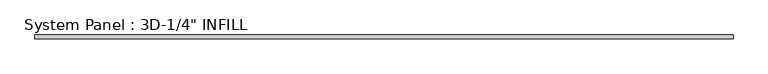
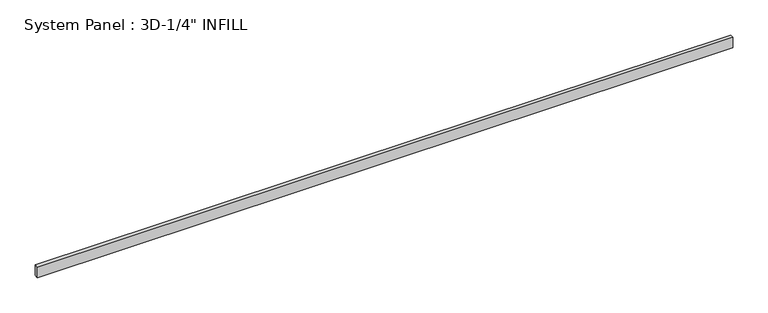
"""IFC4 building model written with IfcOpenShell, lengths in millimetres: plate geometry."""

from ifc_helpers import new_model, si_unit, origin, origin_with_axes, place, context, project, spatial, polyline, outline, extrude, source, transform, mapped, element, save


def plate_23357ce5(model_context):
    return source(origin(), model_context, "Body", "SweptSolid", [
        extrude(outline(polyline([(570.9658619, -3.175), (-570.9658619, -3.175), (-570.9658619, 3.175), (570.9658619, 3.175), (570.9658619, -3.175)])), origin_with_axes(), (0.0, 0.0, 1.0), 18.2626),
    ])


if __name__ == "__main__":
    model = new_model("IFC4")
    model_context = context("Model", 3, world=origin())
    ifc_project = project(units=[si_unit("LENGTHUNIT", "METRE", prefix="MILLI")], contexts=[model_context])
    site = spatial("IfcSite", under=ifc_project)
    building = spatial("IfcBuilding", under=site)
    placement = place(None, origin())
    plate_shape = plate_23357ce5(model_context)
    element("IfcPlate", 1, ObjectType="System Panel : 3D-1/4\" INFILL", at=placement, inside=building, context=model_context, shape_type="MappedRepresentation", body=[
        mapped(plate_shape, transform((0.0, 0.0, 0.0), x_axis=(1.0, 0.0, 0.0), y_axis=(0.0, 1.0, 0.0), z_axis=(0.0, 0.0, 1.0))),
    ])
    save(model, "model.ifc")
